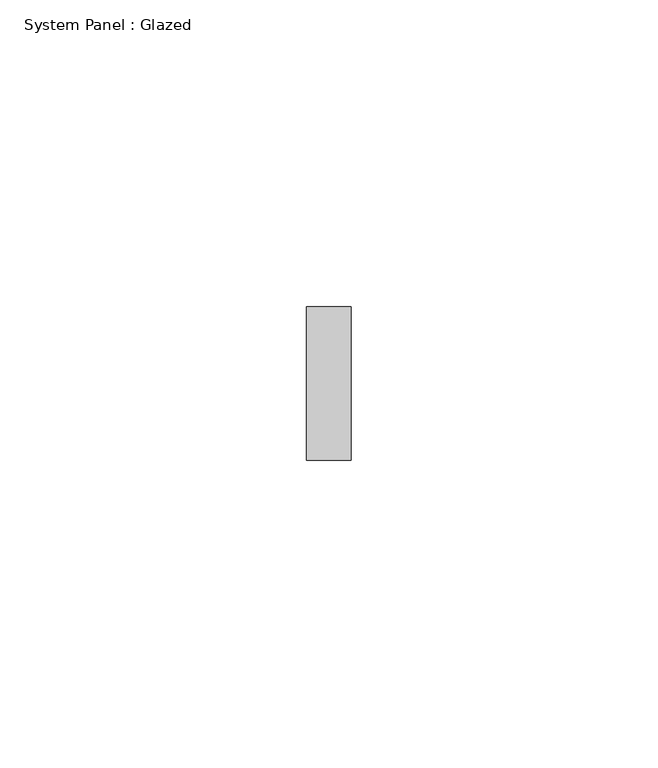
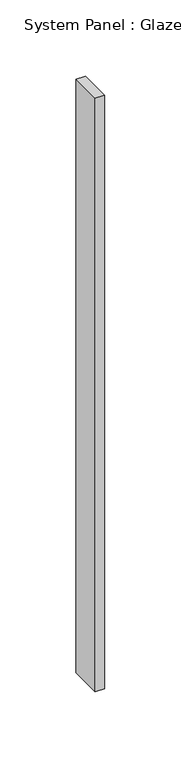
"""IFC4 building model written with IfcOpenShell, lengths in millimetres: plate geometry, System Panel : Glazed."""

from ifc_helpers import new_model, si_unit, origin, origin_with_axes, place, context, project, spatial, polyline, outline, extrude, source, transform, mapped, element, save


def system_panel_glazed_dba2e0d1(model_context):
    return source(origin(), model_context, "Body", "SweptSolid", [
        extrude(outline(polyline([(3.5977744, 24.5), (-3.5977744, 24.5), (-3.5977744, 49.5), (3.5977744, 49.5), (3.5977744, 24.5)])), origin_with_axes(), (0.0, 0.0, 1.0), 475.0),
    ])


if __name__ == "__main__":
    model = new_model("IFC4")
    model_context = context("Model", 3, world=origin())
    ifc_project = project(units=[si_unit("LENGTHUNIT", "METRE", prefix="MILLI")], contexts=[model_context])
    site = spatial("IfcSite", under=ifc_project)
    building = spatial("IfcBuilding", under=site)
    placement = place(None, origin())
    system_panel_glazed_shape = system_panel_glazed_dba2e0d1(model_context)
    element("IfcPlate", 1, ObjectType="System Panel : Glazed", at=placement, inside=building, context=model_context, shape_type="MappedRepresentation", body=[
        mapped(system_panel_glazed_shape, transform((0.0, 0.0, 0.0), x_axis=(1.0, 0.0, 0.0), y_axis=(0.0, 1.0, 0.0), z_axis=(0.0, 0.0, 1.0))),
    ])
    save(model, "model.ifc")
